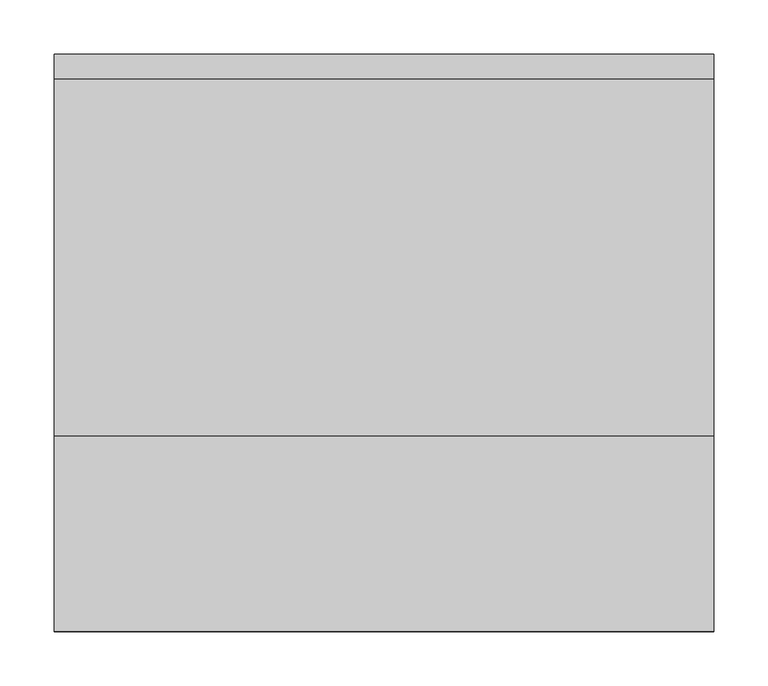
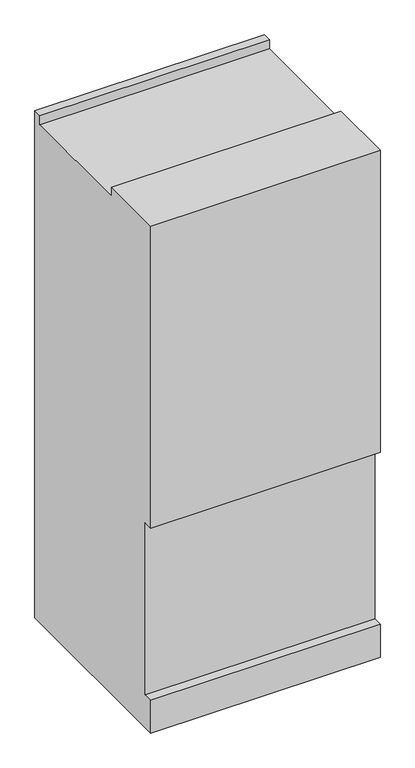
"""IFC4 building model written with IfcOpenShell, lengths in millimetres: proxy geometry."""

from ifc_helpers import new_model, si_unit, frame, origin, place, context, project, spatial, polyline, outline, extrude, source, transform, mapped, element, save


def mechanical_equipment_70599b6c(model_context):
    return source(origin(), model_context, "Body", "SweptSolid", [
        extrude(outline(polyline([(266.7, 0.0), (-266.7, 0.0), (-266.7, 91.8765625), (-241.3, 91.8765625), (-241.3, 574.4765625), (-266.7, 574.4765625), (-266.7, 1422.4), (-86.3203125, 1422.4), (-86.3203125, 1397.0), (243.8796875, 1397.0), (243.8796875, 1422.4), (266.7, 1422.4), (266.7, 0.0)])), frame((-304.8, 0.0, 0.0), z_axis=(1.0, 0.0, 0.0), x_axis=(0.0, 1.0, 0.0)), (0.0, 0.0, 1.0), 609.6),
    ])


if __name__ == "__main__":
    model = new_model("IFC4")
    model_context = context("Model", 3, world=origin())
    ifc_project = project(units=[si_unit("LENGTHUNIT", "METRE", prefix="MILLI")], contexts=[model_context])
    site = spatial("IfcSite", under=ifc_project)
    building = spatial("IfcBuilding", under=site)
    placement = place(None, origin())
    mechanical_equipment_shape = mechanical_equipment_70599b6c(model_context)
    element("IfcBuildingElementProxy", 1, Name="Mechanical Equipment", at=placement, inside=building, context=model_context, shape_type="MappedRepresentation", body=[
        mapped(mechanical_equipment_shape, transform((0.0, 0.0, 0.0), x_axis=(1.0, 0.0, 0.0), y_axis=(0.0, 1.0, 0.0), z_axis=(0.0, 0.0, 1.0))),
    ])
    save(model, "model.ifc")
